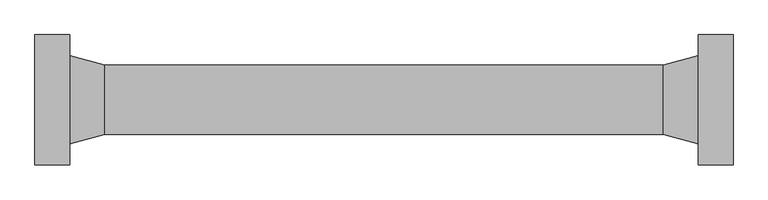
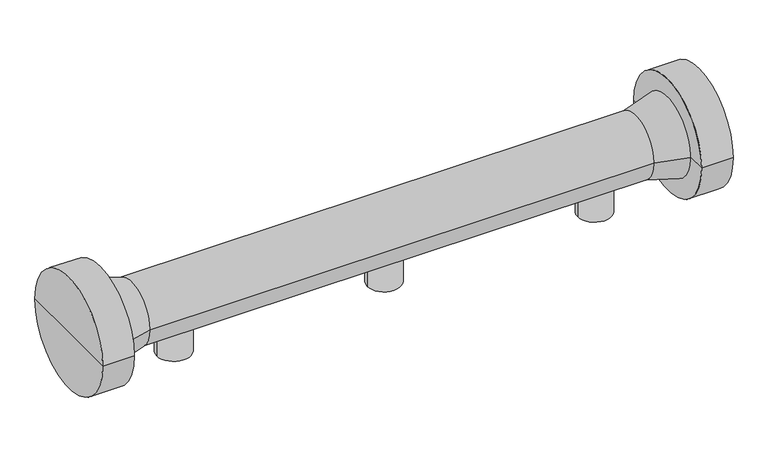
"""IFC4 building model written with IfcOpenShell, lengths in millimetres: proxy geometry."""

from ifc_helpers import new_model, si_unit, frame, origin, place, context, project, spatial, polyline, circle_curve, source, transform, mapped, element, save
from ifc_brep_helpers import plane_surface, cylinder_surface, revolved_surface, advanced_brep


def specialty_equipment_139ee7e6(model_context):
    return source(origin(), model_context, "Body", "AdvancedBrep", [
        advanced_brep(
        [(540.0, 0.0, 0.046762), (460.0, 0.0, 0.046762), (460.0, 0.0, 85.241935), (540.0, 0.0, 85.241935), (500.0, 0.0, 0.046762), (500.0, 0.0, 85.241935)],
        [
            (0, 1, circle_curve(frame((500.0, 0.0, 0.046762), z_axis=(0.0, 0.0, 1.0), x_axis=(-1.0, 0.0, 0.0)), 40.0)),
            (1, 2),
            (2, 3, circle_curve(frame((500.0, 0.0, 85.241935), z_axis=(0.0, 0.0, -1.0), x_axis=(-1.0, 0.0, 0.0)), 40.0)),
            (3, 0),
            (1, 0, circle_curve(frame((500.0, 0.0, 0.046762), z_axis=(0.0, 0.0, 1.0), x_axis=(-1.0, 0.0, 0.0)), 40.0)),
            (3, 2, circle_curve(frame((500.0, 0.0, 85.241935), z_axis=(0.0, 0.0, -1.0), x_axis=(-1.0, 0.0, 0.0)), 40.0)),
            (4, 1),
            (0, 4),
            (2, 5),
            (5, 3),
        ],
        [
            cylinder_surface(frame((500.0, 0.0, 1119.5366778), z_axis=(0.0, 0.0, -1.0), x_axis=(-1.0, 0.0, 0.0)), 40.0),
            plane_surface(frame((500.0, 0.0, 0.046762), z_axis=(0.0, 0.0, -1.0), x_axis=(-1.0, 0.0, 0.0))),
            plane_surface(frame((500.0, 0.0, 85.241935), z_axis=(0.0, 0.0, 1.0), x_axis=(-1.0, 0.0, 0.0))),
        ],
        [
            (0, [[1, 2, 3, 4]]),
            (0, [[5, -4, 6, -2]]),
            (1, [[7, -1, 8]]),
            (1, [[-8, -5, -7]]),
            (2, [[-3, 9, 10]]),
            (2, [[-6, -10, -9]]),
        ],
    ),
        advanced_brep(
        [(1040.0, 0.0, 0.046762), (960.0, 0.0, 0.046762), (960.0, 0.0, 85.241935), (1040.0, 0.0, 85.241935), (1000.0, 0.0, 0.046762), (1000.0, 0.0, 85.241935)],
        [
            (0, 1, circle_curve(frame((1000.0, 0.0, 0.046762), z_axis=(0.0, 0.0, 1.0), x_axis=(-1.0, 0.0, 0.0)), 40.0)),
            (1, 2),
            (2, 3, circle_curve(frame((1000.0, 0.0, 85.241935), z_axis=(0.0, 0.0, -1.0), x_axis=(-1.0, 0.0, 0.0)), 40.0)),
            (3, 0),
            (1, 0, circle_curve(frame((1000.0, 0.0, 0.046762), z_axis=(0.0, 0.0, 1.0), x_axis=(-1.0, 0.0, 0.0)), 40.0)),
            (3, 2, circle_curve(frame((1000.0, 0.0, 85.241935), z_axis=(0.0, 0.0, -1.0), x_axis=(-1.0, 0.0, 0.0)), 40.0)),
            (4, 1),
            (0, 4),
            (2, 5),
            (5, 3),
        ],
        [
            cylinder_surface(frame((1000.0, 0.0, 1119.5366778), z_axis=(0.0, 0.0, -1.0), x_axis=(-1.0, 0.0, 0.0)), 40.0),
            plane_surface(frame((1000.0, 0.0, 0.046762), z_axis=(0.0, 0.0, -1.0), x_axis=(-1.0, 0.0, 0.0))),
            plane_surface(frame((1000.0, 0.0, 85.241935), z_axis=(0.0, 0.0, 1.0), x_axis=(-1.0, 0.0, 0.0))),
        ],
        [
            (0, [[1, 2, 3, 4]]),
            (0, [[5, -4, 6, -2]]),
            (1, [[7, -1, 8]]),
            (1, [[-8, -5, -7]]),
            (2, [[-3, 9, 10]]),
            (2, [[-6, -10, -9]]),
        ],
    ),
        advanced_brep(
        [(40.0, 0.0, 0.046762), (-40.0, 0.0, 0.046762), (-40.0, 0.0, 85.241935), (40.0, 0.0, 85.241935), (0.0, 0.0, 0.046762), (0.0, 0.0, 85.241935)],
        [
            (0, 1, circle_curve(frame((0.0, 0.0, 0.046762), z_axis=(0.0, 0.0, 1.0), x_axis=(-1.0, 0.0, 0.0)), 40.0)),
            (1, 2),
            (2, 3, circle_curve(frame((0.0, 0.0, 85.241935), z_axis=(0.0, 0.0, -1.0), x_axis=(-1.0, 0.0, 0.0)), 40.0)),
            (3, 0),
            (1, 0, circle_curve(frame((0.0, 0.0, 0.046762), z_axis=(0.0, 0.0, 1.0), x_axis=(-1.0, 0.0, 0.0)), 40.0)),
            (3, 2, circle_curve(frame((0.0, 0.0, 85.241935), z_axis=(0.0, 0.0, -1.0), x_axis=(-1.0, 0.0, 0.0)), 40.0)),
            (4, 1),
            (0, 4),
            (2, 5),
            (5, 3),
        ],
        [
            cylinder_surface(frame((0.0, 0.0, 1119.5366778), z_axis=(0.0, 0.0, -1.0), x_axis=(-1.0, 0.0, 0.0)), 40.0),
            plane_surface(frame((0.0, 0.0, 0.046762), z_axis=(0.0, 0.0, -1.0), x_axis=(-1.0, 0.0, 0.0))),
            plane_surface(frame((0.0, 0.0, 85.241935), z_axis=(0.0, 0.0, 1.0), x_axis=(-1.0, 0.0, 0.0))),
        ],
        [
            (0, [[1, 2, 3, 4]]),
            (0, [[5, -4, 6, -2]]),
            (1, [[7, -1, 8]]),
            (1, [[-8, -5, -7]]),
            (2, [[-3, 9, 10]]),
            (2, [[-6, -10, -9]]),
        ],
    ),
        advanced_brep(
        [(-249.0, 0.0, 131.9), (-249.0, 139.6593353, 131.9), (-249.0, -139.6593353, 131.9), (1249.0, -139.6593353, 131.9), (1249.0, 139.6593353, 131.9), (1249.0, 0.0, 131.9), (1174.0, -139.6593353, 131.9), (1174.0, 139.6593353, 131.9), (1174.0, -95.0, 131.9), (1174.0, 95.0, 131.9), (1098.8943825, -74.9718353, 131.9), (1098.8943825, 74.9718353, 131.9), (-98.8943825, -74.9718353, 131.9), (-98.8943825, 74.9718353, 131.9), (-174.0, -95.0, 131.9), (-174.0, 95.0, 131.9), (-174.0, -139.6593353, 131.9), (-174.0, 139.6593353, 131.9)],
        [
            (0, 1),
            (1, 2, circle_curve(frame((-249.0, 0.0, 131.9), z_axis=(-1.0, 0.0, 0.0), x_axis=(0.0, 1.0, 0.0)), 139.6593353)),
            (2, 0),
            (2, 1, circle_curve(frame((-249.0, 0.0, 131.9), z_axis=(-1.0, 0.0, 0.0), x_axis=(0.0, 1.0, 0.0)), 139.6593353)),
            (3, 4, circle_curve(frame((1249.0, 0.0, 131.9), z_axis=(1.0, 0.0, 0.0), x_axis=(0.0, 1.0, 0.0)), 139.6593353)),
            (4, 5),
            (5, 3),
            (4, 3, circle_curve(frame((1249.0, 0.0, 131.9), z_axis=(1.0, 0.0, 0.0), x_axis=(0.0, 1.0, 0.0)), 139.6593353)),
            (6, 7, circle_curve(frame((1174.0, 0.0, 131.9), z_axis=(1.0, 0.0, 0.0), x_axis=(0.0, 1.0, 0.0)), 139.6593353)),
            (7, 4),
            (3, 6),
            (7, 6, circle_curve(frame((1174.0, 0.0, 131.9), z_axis=(1.0, 0.0, 0.0), x_axis=(0.0, 1.0, 0.0)), 139.6593353)),
            (8, 9, circle_curve(frame((1174.0, 0.0, 131.9), z_axis=(1.0, 0.0, 0.0), x_axis=(0.0, 1.0, 0.0)), 95.0)),
            (9, 7),
            (6, 8),
            (9, 8, circle_curve(frame((1174.0, 0.0, 131.9), z_axis=(1.0, 0.0, 0.0), x_axis=(0.0, 1.0, 0.0)), 95.0)),
            (10, 11, circle_curve(frame((1098.8943825, 0.0, 131.9), z_axis=(1.0, 0.0, 0.0), x_axis=(0.0, 1.0, 0.0)), 74.9718353)),
            (11, 9),
            (8, 10),
            (11, 10, circle_curve(frame((1098.8943825, 0.0, 131.9), z_axis=(1.0, 0.0, 0.0), x_axis=(0.0, 1.0, 0.0)), 74.9718353)),
            (12, 13, circle_curve(frame((-98.8943825, 0.0, 131.9), z_axis=(1.0, 0.0, 0.0), x_axis=(0.0, 1.0, 0.0)), 74.9718353)),
            (13, 11),
            (10, 12),
            (13, 12, circle_curve(frame((-98.8943825, 0.0, 131.9), z_axis=(1.0, 0.0, 0.0), x_axis=(0.0, 1.0, 0.0)), 74.9718353)),
            (14, 15, circle_curve(frame((-174.0, 0.0, 131.9), z_axis=(1.0, 0.0, 0.0), x_axis=(0.0, 1.0, 0.0)), 95.0)),
            (15, 13),
            (12, 14),
            (15, 14, circle_curve(frame((-174.0, 0.0, 131.9), z_axis=(1.0, 0.0, 0.0), x_axis=(0.0, 1.0, 0.0)), 95.0)),
            (16, 17, circle_curve(frame((-174.0, 0.0, 131.9), z_axis=(1.0, 0.0, 0.0), x_axis=(0.0, 1.0, 0.0)), 139.6593353)),
            (17, 15),
            (14, 16),
            (17, 16, circle_curve(frame((-174.0, 0.0, 131.9), z_axis=(1.0, 0.0, 0.0), x_axis=(0.0, 1.0, 0.0)), 139.6593353)),
            (1, 17),
            (16, 2),
        ],
        [
            plane_surface(frame((-249.0, 0.0, 131.9), z_axis=(-1.0, 0.0, 0.0), x_axis=(0.0, 1.0, 0.0))),
            plane_surface(frame((1249.0, 0.0, 131.9), z_axis=(1.0, 0.0, 0.0), x_axis=(0.0, 1.0, 0.0))),
            cylinder_surface(frame((2274.0, 0.0, 131.9), z_axis=(-1.0, 0.0, 0.0), x_axis=(0.0, 1.0, 0.0)), 139.6593353),
            plane_surface(frame((1174.0, 0.0, 131.9), z_axis=(-1.0, 0.0, 0.0), x_axis=(0.0, 1.0, 0.0))),
            revolved_surface(polyline([(1174.0, 95.0, 131.9), (1098.8943825, 74.9718353, 131.9)]), (2274.0, 0.0, 131.9), (-1.0, 0.0, 0.0)),
            cylinder_surface(frame((2274.0, 0.0, 131.9), z_axis=(-1.0, 0.0, 0.0), x_axis=(0.0, 1.0, 0.0)), 74.9718353),
            revolved_surface(polyline([(-98.8943825, 74.9718353, 131.9), (-174.0, 95.0, 131.9)]), (2274.0, 0.0, 131.9), (-1.0, 0.0, 0.0)),
            plane_surface(frame((-174.0, 0.0, 131.9), z_axis=(1.0, 0.0, 0.0), x_axis=(0.0, 1.0, 0.0))),
        ],
        [
            (0, [[1, 2, 3]]),
            (0, [[-3, 4, -1]]),
            (1, [[5, 6, 7]]),
            (1, [[8, -7, -6]]),
            (2, [[9, 10, -5, 11]]),
            (2, [[12, -11, -8, -10]]),
            (3, [[13, 14, -9, 15]]),
            (3, [[16, -15, -12, -14]]),
            (4, [[17, 18, -13, 19]]),
            (4, [[20, -19, -16, -18]]),
            (5, [[21, 22, -17, 23]]),
            (5, [[24, -23, -20, -22]]),
            (6, [[25, 26, -21, 27]]),
            (6, [[28, -27, -24, -26]]),
            (7, [[29, 30, -25, 31]]),
            (7, [[32, -31, -28, -30]]),
            (2, [[-2, 33, -29, 34]]),
            (2, [[-4, -34, -32, -33]]),
        ],
    ),
    ])


if __name__ == "__main__":
    model = new_model("IFC4")
    model_context = context("Model", 3, world=origin())
    ifc_project = project(units=[si_unit("LENGTHUNIT", "METRE", prefix="MILLI")], contexts=[model_context])
    site = spatial("IfcSite", under=ifc_project)
    building = spatial("IfcBuilding", under=site)
    placement = place(None, origin())
    specialty_equipment_shape = specialty_equipment_139ee7e6(model_context)
    element("IfcBuildingElementProxy", 1, Name="Specialty Equipment", at=placement, inside=building, context=model_context, shape_type="MappedRepresentation", body=[
        mapped(specialty_equipment_shape, transform((0.0, 0.0, 0.0), x_axis=(1.0, 0.0, 0.0), y_axis=(0.0, 1.0, 0.0), z_axis=(0.0, 0.0, 1.0))),
    ])
    save(model, "model.ifc")
